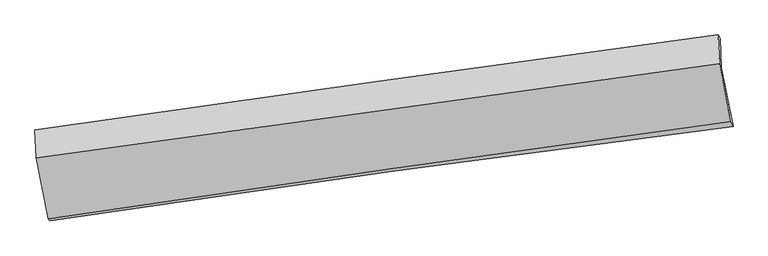
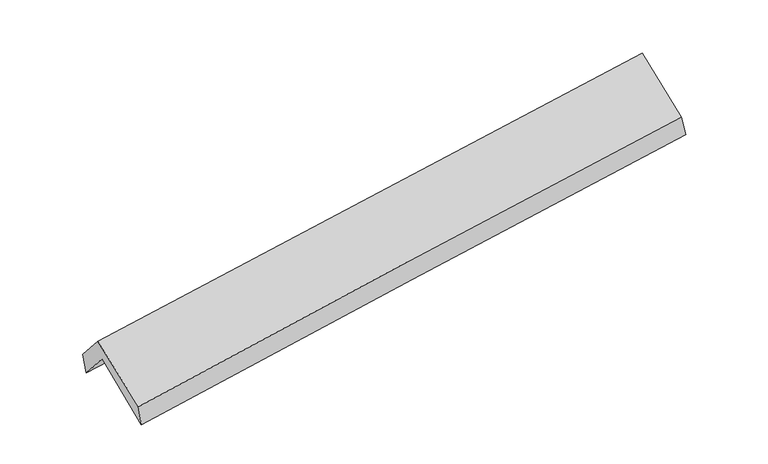
"""IFC4 building model written with IfcOpenShell, lengths in millimetres: proxy geometry."""

import ifcopenshell
import ifcopenshell.guid

model = None  # the IFC model being written
_history = None  # IfcOwnerHistory: only IFC2X3 demands one
_inside = {}  # id of a spatial element -> (the spatial element, [elements in it])
_under = {}  # id of a project, library or spatial element -> (it, [spatial elements below it])
_declared = {}  # id of a project -> (the project, [libraries it declares])
_typed = {}  # id of a type object -> (the type object, [elements of that type])
_made_of = {}  # id of a material, layer set ... -> (it, [elements and type objects made of it])


def new_model(schema):
    """Start an empty IFC model of exactly this schema.

    Asked for "IFC4X3", IfcOpenShell would pick the latest addendum, in which some entities
    have other attributes; the version numbers below select the first issue.
    IFC2X3 requires an IfcOwnerHistory on every rooted entity: one is made here for all.
    """
    global model, _history
    if schema == "IFC4X3":
        model = ifcopenshell.file(schema_version=(4, 3, 0, 0))
    else:
        model = ifcopenshell.file(schema=schema)
    _inside.clear()
    _under.clear()
    _declared.clear()
    _typed.clear()
    _made_of.clear()
    _history = None
    if model.schema == "IFC2X3":
        org = make("IfcOrganization", Name="unknown")
        user = make(
            "IfcPersonAndOrganization",
            ThePerson=make("IfcPerson", FamilyName="unknown"),
            TheOrganization=org,
        )
        app = make(
            "IfcApplication",
            ApplicationDeveloper=org,
            Version="unknown",
            ApplicationFullName="unknown",
            ApplicationIdentifier="unknown",
        )
        _history = make(
            "IfcOwnerHistory",
            OwningUser=user,
            OwningApplication=app,
            ChangeAction="ADDED",
            CreationDate=0,
        )
    return model


def make(cls, **values):
    """One entity of the class cls with the attributes given. An attribute that is None is left unset."""
    return model.create_entity(
        cls, **{name: value for name, value in values.items() if value is not None}
    )


def rooted(cls, **values):
    """An entity with a GlobalId (a new one), such as an element, a storey or a relation."""
    return make(cls, GlobalId=ifcopenshell.guid.new(), OwnerHistory=_history, **values)


def si_unit(unit_type, name, prefix=None):
    """IfcSIUnit, for example si_unit("LENGTHUNIT", "METRE", prefix="MILLI")."""
    return make("IfcSIUnit", UnitType=unit_type, Prefix=prefix, Name=name)


def assignment(units):
    """IfcUnitAssignment: the units of a project."""
    return None if units is None else make("IfcUnitAssignment", Units=units)


def point(xyz):
    """IfcCartesianPoint."""
    return None if xyz is None else make("IfcCartesianPoint", Coordinates=xyz)


def direction(xyz):
    """IfcDirection."""
    return None if xyz is None else make("IfcDirection", DirectionRatios=xyz)


def frame(location, z_axis=None, x_axis=None):
    """IfcAxis2Placement3D, a coordinate frame: its origin and axes. An axis left out is left unset."""
    return make(
        "IfcAxis2Placement3D",
        Location=point(location),
        Axis=direction(z_axis),
        RefDirection=direction(x_axis),
    )


def origin():
    """The frame at (0, 0, 0) with its axes left unset."""
    return frame((0.0, 0.0, 0.0))


def place(relative_to, where):
    """IfcLocalPlacement: puts the frame where relative to a parent placement (None: the world)."""
    return make(
        "IfcLocalPlacement", PlacementRelTo=relative_to, RelativePlacement=where
    )


def context(
    kind, dimensions, precision=None, world=None, true_north=None, identifier=None
):
    """IfcGeometricRepresentationContext, for example the 3D "Model" context."""
    return make(
        "IfcGeometricRepresentationContext",
        ContextIdentifier=identifier,
        ContextType=kind,
        CoordinateSpaceDimension=dimensions,
        Precision=precision,
        WorldCoordinateSystem=world,
        TrueNorth=true_north,
    )


def project(units=None, contexts=None):
    """IfcProject with its units and contexts."""
    return rooted(
        "IfcProject",
        Name="project",
        RepresentationContexts=contexts,
        UnitsInContext=assignment(units),
    )


def spatial(cls, under=None, at=None, **own):
    """A site, building, storey or space (cls), placed at a placement, below another one or the project."""
    s = rooted(cls, ObjectPlacement=at, **own)
    if under is not None:
        _under.setdefault(under.id(), (under, []))[1].append(s)
    return s


def shape(context_of_items, identifier, shape_type, items):
    """IfcShapeRepresentation: the items that make up one representation, for example the "Body"."""
    return make(
        "IfcShapeRepresentation",
        ContextOfItems=context_of_items,
        RepresentationIdentifier=identifier,
        RepresentationType=shape_type,
        Items=items,
    )


def source(mapping_origin, context_of_items, identifier, shape_type, items):
    """IfcRepresentationMap: a shape defined once, which mapped items show again and again."""
    return make(
        "IfcRepresentationMap",
        MappingOrigin=mapping_origin,
        MappedRepresentation=shape(context_of_items, identifier, shape_type, items),
    )


def transform(
    local_origin,
    x_axis=None,
    y_axis=None,
    z_axis=None,
    scale=None,
    scale2=None,
    scale3=None,
    uniform=True,
):
    """IfcCartesianTransformationOperator3D, or its non-uniform kind. x_axis, y_axis, z_axis: its Axis1, 2, 3."""
    if uniform:
        return make(
            "IfcCartesianTransformationOperator3D",
            Axis1=direction(x_axis),
            Axis2=direction(y_axis),
            LocalOrigin=point(local_origin),
            Scale=scale,
            Axis3=direction(z_axis),
        )
    return make(
        "IfcCartesianTransformationOperator3DnonUniform",
        Axis1=direction(x_axis),
        Axis2=direction(y_axis),
        LocalOrigin=point(local_origin),
        Scale=scale,
        Axis3=direction(z_axis),
        Scale2=scale2,
        Scale3=scale3,
    )


def mapped(mapping_source, mapping_target):
    """IfcMappedItem: shows the shape of a source again, moved by a transform."""
    return make(
        "IfcMappedItem", MappingSource=mapping_source, MappingTarget=mapping_target
    )


def made_of(thing, what):
    """Note that an element or type object is made of a material, layer set ...; save() writes the relation."""
    if what is not None:
        _made_of.setdefault(what.id(), (what, []))[1].append(thing)
    return thing


def element(
    cls,
    number,
    at=None,
    inside=None,
    cuts=None,
    type_object=None,
    material=None,
    context=None,
    identifier="Body",
    shape_type=None,
    held_by="IfcProductDefinitionShape",
    body=None,
    shapes=None,
    **own,
):
    """One element of the class cls, such as IfcWall. Its Tag is "e" and its number.

    at: its placement. inside: the storey or other place that contains it. cuts: it is an
    opening in that element (IfcRelVoidsElement). A single representation is given by context,
    identifier, shape_type and body (its items); several are given by shapes. held_by: the class
    of the entity that holds the representations. save() writes the other relations.
    """
    e = rooted(cls, Tag="e%d" % number, ObjectPlacement=at, **own)
    if body is not None:
        shapes = [shape(context, identifier, shape_type, body)]
    if shapes is not None:
        e.Representation = make(held_by, Representations=shapes)
    if inside is not None:
        _inside.setdefault(inside.id(), (inside, []))[1].append(e)
    if cuts is not None:
        rooted(
            "IfcRelVoidsElement", RelatingBuildingElement=cuts, RelatedOpeningElement=e
        )
    if type_object is not None:
        _typed.setdefault(type_object.id(), (type_object, []))[1].append(e)
    return made_of(e, material)


def aggregate(whole, parts):
    """IfcRelAggregates: a whole, such as a stair, and the parts it consists of."""
    return rooted("IfcRelAggregates", RelatingObject=whole, RelatedObjects=parts)


def save(model, path):
    """Write the relations noted so far, then the file.

    IfcRelAggregates (storeys below a building ...), IfcRelContainedInSpatialStructure (elements
    in a storey), IfcRelDefinesByType, IfcRelAssociatesMaterial and IfcRelDeclares: one each for
    every whole, place, type object, material and project.
    """
    for whole, parts in _under.values():
        aggregate(whole, parts)
    for where, things in _inside.values():
        rooted(
            "IfcRelContainedInSpatialStructure",
            RelatedElements=things,
            RelatingStructure=where,
        )
    for kind, things in _typed.values():
        rooted("IfcRelDefinesByType", RelatedObjects=things, RelatingType=kind)
    for what, things in _made_of.values():
        rooted("IfcRelAssociatesMaterial", RelatedObjects=things, RelatingMaterial=what)
    for by, libraries in _declared.values():
        rooted("IfcRelDeclares", RelatingContext=by, RelatedDefinitions=libraries)
    model.write(path)


def plane_surface(at):
    """IfcPlane: the flat surface through the origin of the frame at, square to its z axis."""
    return make("IfcPlane", Position=at)


def spline_curve(degree, points, multiplicities, knots, weights=None):
    """IfcBSplineCurveWithKnots; with weights, IfcRationalBSplineCurveWithKnots."""
    own = dict(
        Degree=degree,
        ControlPointsList=[point(p) for p in points],
        CurveForm="UNSPECIFIED",
        ClosedCurve=False,
        SelfIntersect=False,
        KnotMultiplicities=multiplicities,
        Knots=knots,
        KnotSpec="UNSPECIFIED",
    )
    if weights is None:
        return make("IfcBSplineCurveWithKnots", **own)
    return make("IfcRationalBSplineCurveWithKnots", WeightsData=weights, **own)


def spline_surface(u_degree, v_degree, points, u_multiplicities, v_multiplicities, u_knots, v_knots, weights=None):
    """IfcBSplineSurfaceWithKnots; with weights, IfcRationalBSplineSurfaceWithKnots. points: one row for each step in u."""
    own = dict(
        UDegree=u_degree,
        VDegree=v_degree,
        ControlPointsList=[[point(p) for p in row] for row in points],
        SurfaceForm="UNSPECIFIED",
        UClosed=False,
        VClosed=False,
        SelfIntersect=False,
        UMultiplicities=u_multiplicities,
        VMultiplicities=v_multiplicities,
        UKnots=u_knots,
        VKnots=v_knots,
        KnotSpec="UNSPECIFIED",
    )
    if weights is None:
        return make("IfcBSplineSurfaceWithKnots", **own)
    return make("IfcRationalBSplineSurfaceWithKnots", WeightsData=weights, **own)


def advanced_brep(points, edges, surfaces, faces):
    """IfcAdvancedBrep: a solid bounded by faces that lie on surfaces and meet in shared edges.

    An edge is (start, end): straight between two places in points (the first is 0);
    or (start, end, curve); or (start, end, curve, False) where it runs against its curve.
    A face is (place in surfaces, loops), or (place, loops, False) where it looks against
    its surface's normal. A loop lists edges by number (the first is 1), with a minus sign
    where the edge is run from its end to its start. The first loop is the outer one.
    """
    corners = [point(p) for p in points]
    vertices = [make("IfcVertexPoint", VertexGeometry=c) for c in corners]
    made = []
    for start, end, *more in edges:
        made.append(
            make(
                "IfcEdgeCurve",
                EdgeStart=vertices[start],
                EdgeEnd=vertices[end],
                EdgeGeometry=more[0] if more else make("IfcPolyline", Points=[corners[start], corners[end]]),
                SameSense=more[1] if len(more) > 1 else True,
            )
        )
    hull = []
    for where, loops, *sense in faces:
        bounds = []
        for j, loop in enumerate(loops):
            ring = [make("IfcOrientedEdge", EdgeElement=made[abs(k) - 1], Orientation=k > 0) for k in loop]
            bounds.append(
                make(
                    "IfcFaceOuterBound" if j == 0 else "IfcFaceBound",
                    Bound=make("IfcEdgeLoop", EdgeList=ring),
                    Orientation=True,
                )
            )
        hull.append(make("IfcAdvancedFace", Bounds=bounds, FaceSurface=surfaces[where], SameSense=sense[0] if sense else True))
    return make("IfcAdvancedBrep", Outer=make("IfcClosedShell", CfsFaces=hull))


def generic_models_a32cc553(model_context):
    return source(origin(), model_context, "Body", "AdvancedBrep", [
        advanced_brep(
        [(-2901.9721714, -2508.3262806, 1448.4614868), (-3003.1798823, -2003.2697038, 1878.6701427), (2945.7965405, -1170.0738092, 2384.5197717), (3048.2533766, -1682.7746708, 1951.5575846), (-3014.9244124, -1750.1420353, 1576.1446912), (2935.5642203, -919.9525214, 2067.3402853), (-3033.3939844, -1716.24769, 1760.2413236), (2917.7951073, -884.9155916, 2240.0557063), (-3021.1947979, -1960.7685219, 2041.128472), (2930.26299, -1134.8221758, 2527.129602), (-2918.3824747, -2489.1702562, 1631.8892937), (3029.8954224, -1640.4498234, 2118.895309)],
        [
            (0, 1),
            (1, 2, spline_curve(3, [(-3003.1798823, -2003.2697038, 1878.6701427), (-2012.250551314, -1852.492387035, 1949.176831808), (-1021.04691839, -1707.671897687, 2026.583415379), (961.945202464, -1429.939497, 2195.199453623), (1953.733710465, -1297.028021414, 2286.409413328), (2945.7965405, -1170.0738092, 2384.5197717)], [4, 2, 4], [0.0, 9.88904452207343, 19.77845060597202])),
            (2, 3),
            (3, 0, spline_curve(3, [(3048.2533766, -1682.7746708, 1951.5575846), (2055.502490807, -1808.179910284, 1859.78673539), (1063.265863711, -1939.679866401, 1771.975941901), (-920.142614626, -2214.864182266, 1604.277532125), (-1911.314503675, -2358.548095867, 1524.389626349), (-2901.9721714, -2508.3262806, 1448.4614868)], [4, 2, 4], [0.0, 9.889406083898589, 19.77845060597202])),
            (1, 4),
            (4, 5, spline_curve(3, [(-3014.9244124, -1750.1420353, 1576.1446912), (-2022.634907296, -1601.735891671, 1632.867374125), (-1030.625161986, -1458.351533469, 1702.160703614), (952.871069275, -1181.621328138, 1865.891649085), (1944.357534709, -1048.275848653, 1960.330184129), (2935.5642203, -919.9525214, 2067.3402853)], [4, 2, 4], [0.0, 9.88935412310543, 19.77906981935561])),
            (5, 2),
            (4, 6),
            (6, 7, spline_curve(3, [(-3033.3939844, -1716.24769, 1760.2413236), (-2041.875068933, -1572.252435232, 1835.199267957), (-1050.192255695, -1430.978349379, 1912.661995158), (933.537429652, -1153.867451269, 2072.599939803), (1925.584313568, -1018.030837186, 2155.075339902), (2917.7951073, -884.9155916, 2240.0557063)], [4, 2, 4], [0.0, 9.888891513399265, 19.77814458302941])),
            (7, 5),
            (6, 8),
            (8, 9, spline_curve(3, [(-3021.1947979, -1960.7685219, 2041.128472), (-2029.323107107, -1823.844301492, 2124.209089309), (-1037.441512767, -1686.554594188, 2206.248770631), (946.377749361, -1411.239172282, 2368.249223634), (1938.315417281, -1273.213431054, 2448.209918567), (2930.26299, -1134.8221758, 2527.129602)], [4, 2, 4], [0.0, 9.888459996962354, 19.77728153437854])),
            (9, 7),
            (8, 10),
            (10, 11, spline_curve(3, [(-2918.3824747, -2489.1702562, 1631.8892937), (-1928.112247185, -2340.800561178, 1715.519583074), (-937.296379823, -2195.890240863, 1797.917842864), (1045.46287904, -1912.983176828, 1960.253271124), (2037.406310938, -1774.986686294, 2040.190349865), (3029.8954224, -1640.4498234, 2118.895309)], [4, 2, 4], [0.0, 9.888558554480232, 19.777478653017745])),
            (11, 9),
            (10, 0),
            (3, 11),
        ],
        [
            spline_surface(3, 3, [[(-2901.9721714, -2508.3262806, 1448.4614868), (-1911.314503648, -2358.548095756, 1524.389626334), (-920.142614643, -2214.86418212, 1604.277532169), (1063.265863728, -1939.679866547, 1771.975941858), (2055.502490776, -1808.179910242, 1859.786735329), (3048.2533766, -1682.7746708, 1951.5575846)], [(-2935.708075044, -2339.974088321, 1591.86437207), (-1944.95985292, -2189.862859455, 1665.985361451), (-953.777382554, -2045.800087282, 1745.046159877), (1029.492309982, -1769.766410078, 1913.050445824), (2021.579563984, -1637.795947329, 2001.99429463), (3014.101097905, -1511.874383578, 2095.878313643)], [(-2969.443978656, -2171.621896079, 1735.26725743), (-1978.60520216, -2021.17762319, 1807.581096659), (-987.412150485, -1876.735992415, 1885.81478756), (995.718756215, -1599.852953579, 2054.124949767), (1987.656637178, -1467.411984483, 2144.2018539), (2979.948819195, -1340.974096422, 2240.199042657)], [(-3003.1798823, -2003.2697038, 1878.6701427), (-2012.250551432, -1852.492386889, 1949.176831776), (-1021.046918395, -1707.671897577, 2026.583415268), (961.945202469, -1429.93949711, 2195.199453733), (1953.733710387, -1297.028021569, 2286.409413201), (2945.7965405, -1170.0738092, 2384.5197717)]], [4, 4], [4, 2, 4], [0.0, 2.1947121826778795], [0.0, 9.88904452207343, 19.77845060597202]),
            spline_surface(3, 3, [[(-3003.1798823, -2003.2697038, 1878.6701427), (-2012.250551432, -1852.492386889, 1949.176831776), (-1021.046918395, -1707.671897577, 2026.583415268), (961.945202469, -1429.93949711, 2195.199453733), (1953.733710387, -1297.028021569, 2286.409413201), (2945.7965405, -1170.0738092, 2384.5197717)], [(-3007.094725654, -1918.893814322, 1777.82832556), (-2015.712003427, -1768.906888535, 1843.740345891), (-1024.239666274, -1624.565109531, 1918.442511368), (958.920491411, -1347.166774156, 2085.430185496), (1950.608318528, -1214.110630608, 2177.716336866), (2942.385767093, -1086.700046623, 2278.793276223)], [(-3011.009569046, -1834.517924778, 1676.98650834), (-2019.173455461, -1685.321390115, 1738.303859927), (-1027.43241414, -1541.458321445, 1810.301607522), (955.895780366, -1264.394051163, 1975.660917313), (1947.48292669, -1131.193239576, 2069.023260564), (2938.974993707, -1003.326283977, 2173.066780777)], [(-3014.9244124, -1750.1420353, 1576.1446912), (-2022.634907457, -1601.735891761, 1632.867374042), (-1030.625162019, -1458.351533399, 1702.160703623), (952.871069308, -1181.621328209, 1865.891649076), (1944.357534831, -1048.275848614, 1960.330184229), (2935.5642203, -919.9525214, 2067.3402853)]], [4, 4], [4, 2, 4], [0.0, 1.3480976768917086], [0.0, 9.88935412310543, 19.77906981935561]),
            spline_surface(3, 3, [[(-3014.9244124, -1750.1420353, 1576.1446912), (-2022.634907457, -1601.735891761, 1632.867374042), (-1030.625162019, -1458.351533399, 1702.160703623), (952.871069308, -1181.621328209, 1865.891649076), (1944.357534831, -1048.275848614, 1960.330184229), (2935.5642203, -919.9525214, 2067.3402853)], [(-3021.08093643, -1738.843920183, 1637.510235315), (-2029.048294608, -1591.908072868, 1700.311338663), (-1037.147526591, -1449.227138761, 1772.327800855), (946.42652272, -1172.370035823, 1934.794412631), (1938.09979446, -1038.194178148, 2025.245236139), (2929.641182663, -908.273544805, 2124.912092315)], [(-3027.23746037, -1727.545805117, 1698.875779485), (-2035.46168167, -1582.080254028, 1767.755303339), (-1043.669891088, -1440.102744179, 1842.494898037), (939.981976205, -1163.118743492, 2003.697176135), (1931.842054002, -1028.112507665, 2090.160288005), (2923.718144937, -896.594568195, 2182.483899285)], [(-3033.3939844, -1716.24769, 1760.2413236), (-2041.875068821, -1572.252435135, 1835.19926796), (-1050.19225566, -1430.978349541, 1912.66199527), (933.537429617, -1153.867451107, 2072.59993969), (1925.584313632, -1018.030837198, 2155.075339915), (2917.7951073, -884.9155916, 2240.0557063)]], [4, 4], [4, 2, 4], [0.0, 0.6932904180538141], [0.0, 9.888891513399265, 19.77814458302941]),
            spline_surface(3, 3, [[(-3033.3939844, -1716.24769, 1760.2413236), (-2041.875068821, -1572.252435135, 1835.19926796), (-1050.19225566, -1430.978349541, 1912.66199527), (933.537429617, -1153.867451107, 2072.59993969), (1925.584313632, -1018.030837198, 2155.075339915), (2917.7951073, -884.9155916, 2240.0557063)], [(-3029.32758887, -1797.754633984, 1853.870373086), (-2037.691081579, -1656.116390634, 1931.535875072), (-1045.942007979, -1516.170431099, 2010.524253749), (937.817536174, -1239.658024809, 2171.14970095), (1929.828014873, -1103.09170175, 2252.786866162), (2921.951068197, -968.217786307, 2335.747004848)], [(-3025.26119343, -1879.261577916, 1947.499422514), (-2033.507094426, -1739.980346082, 2027.872482127), (-1041.691760337, -1601.362512677, 2108.386512272), (942.097642693, -1325.448598533, 2269.699462254), (1934.071716121, -1188.152566381, 2350.498392467), (2926.107029103, -1051.519981093, 2431.438303452)], [(-3021.1947979, -1960.7685219, 2041.128472), (-2029.323107184, -1823.844301581, 2124.20908924), (-1037.441512655, -1686.554594235, 2206.248770751), (946.37774925, -1411.239172235, 2368.249223514), (1938.315417362, -1273.213430933, 2448.209918714), (2930.26299, -1134.8221758, 2527.129602)]], [4, 4], [4, 2, 4], [0.0, 1.2822269962756045], [0.0, 9.888459996962354, 19.77728153437854]),
            spline_surface(3, 3, [[(-3021.1947979, -1960.7685219, 2041.128472), (-2029.323107184, -1823.844301581, 2124.20908924), (-1037.441512655, -1686.554594235, 2206.248770751), (946.37774925, -1411.239172235, 2368.249223514), (1938.315417362, -1273.213430933, 2448.209918714), (2930.26299, -1134.8221758, 2527.129602)], [(-2986.924023499, -2136.902433335, 1904.715412546), (-1995.586153821, -1996.163054811, 1987.979253782), (-1004.059801762, -1856.3331431, 2070.13846143), (979.40612588, -1578.487173792, 2232.250572788), (1971.345715258, -1440.471182777, 2312.203395789), (2963.473800787, -1303.364725002, 2391.051504358)], [(-2952.653249101, -2313.036344765, 1768.302353154), (-1961.84920046, -2168.481808036, 1851.749418387), (-970.678090843, -2026.111691943, 1934.028152041), (1012.434502536, -1745.735175326, 2096.251921994), (2004.376013192, -1607.728934613, 2176.196872789), (2996.684611613, -1471.907274198, 2254.973406642)], [(-2918.3824747, -2489.1702562, 1631.8892937), (-1928.112247096, -2340.800561266, 1715.519582929), (-937.29637995, -2195.890240808, 1797.91784272), (1045.462879167, -1912.983176883, 1960.253271268), (2037.406311088, -1774.986686457, 2040.190349864), (3029.8954224, -1640.4498234, 2118.895309)]], [4, 4], [4, 2, 4], [0.0, 2.156614965377403], [0.0, 9.888558554480232, 19.777478653017745]),
            spline_surface(3, 3, [[(-2918.3824747, -2489.1702562, 1631.8892937), (-1928.112247096, -2340.800561266, 1715.519582929), (-937.29637995, -2195.890240808, 1797.91784272), (1045.462879167, -1912.983176883, 1960.253271268), (2037.406311088, -1774.986686457, 2040.190349864), (3029.8954224, -1640.4498234, 2118.895309)], [(-2912.912373603, -2495.555597656, 1570.746691424), (-1922.512999283, -2346.716406085, 1651.809597421), (-931.578458163, -2202.214887907, 1733.371072521), (1051.397207372, -1921.882073432, 1897.49416145), (2043.438370972, -1786.051094403, 1980.055811666), (3036.014740455, -1654.558105885, 2063.116067514)], [(-2907.442272497, -2501.940939144, 1509.604089076), (-1916.913751461, -2352.632250937, 1588.099611842), (-925.86053643, -2208.539535021, 1668.824302367), (1057.331535523, -1930.780969997, 1834.735051676), (2049.470430891, -1797.115502296, 1919.921273527), (3042.134058545, -1668.666388315, 2007.336826086)], [(-2901.9721714, -2508.3262806, 1448.4614868), (-1911.314503648, -2358.548095756, 1524.389626334), (-920.142614643, -2214.86418212, 1604.277532169), (1063.265863728, -1939.679866547, 1771.975941858), (2055.502490776, -1808.179910242, 1859.786735329), (3048.2533766, -1682.7746708, 1951.5575846)]], [4, 4], [4, 2, 4], [0.0, 0.6335690529979989], [0.0, 9.888757624244482, 19.777876799824604]),
            plane_surface(frame((2967.9279428, -1238.831432, 2214.9163765), z_axis=(0.9880962770018129, 0.13468558393750374, 0.07433398182911101), x_axis=(0.15154362242692285, -0.7690733178064506, -0.6209353930481856))),
            plane_surface(frame((-2982.1746205, -2071.320748, 1722.7559017), z_axis=(-0.9880962770018137, -0.1346855839407935, -0.07433398182313893), x_axis=(-0.0886305529148474, 0.1034599422841882, 0.9906768723618015))),
        ],
        [
            (0, [[1, 2, 3, 4]]),
            (1, [[5, 6, 7, -2]]),
            (2, [[8, 9, 10, -6]]),
            (3, [[11, 12, 13, -9]]),
            (4, [[14, 15, 16, -12]]),
            (5, [[17, -4, 18, -15]]),
            (6, [[-16, -18, -3, -7, -10, -13]]),
            (7, [[-17, -14, -11, -8, -5, -1]]),
        ],
    ),
    ])


if __name__ == "__main__":
    model = new_model("IFC4")
    model_context = context("Model", 3, world=origin())
    ifc_project = project(units=[si_unit("LENGTHUNIT", "METRE", prefix="MILLI")], contexts=[model_context])
    site = spatial("IfcSite", under=ifc_project)
    building = spatial("IfcBuilding", under=site)
    placement = place(None, origin())
    generic_models_shape = generic_models_a32cc553(model_context)
    element("IfcBuildingElementProxy", 1, Name="Generic Models", at=placement, inside=building, context=model_context, shape_type="MappedRepresentation", body=[
        mapped(generic_models_shape, transform((0.0, 0.0, 0.0), x_axis=(1.0, 0.0, 0.0), y_axis=(0.0, 1.0, 0.0), z_axis=(0.0, 0.0, 1.0))),
    ])
    save(model, "model.ifc")
